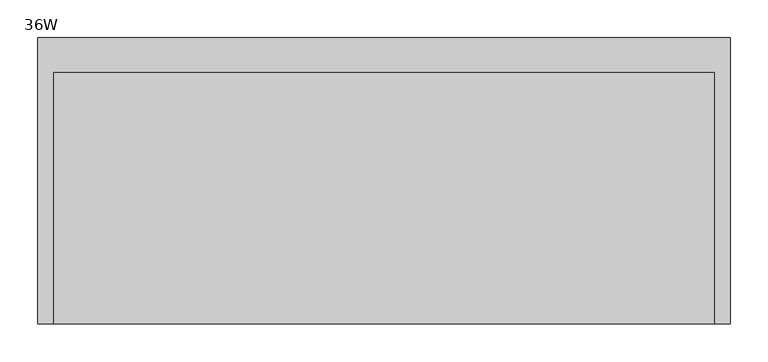
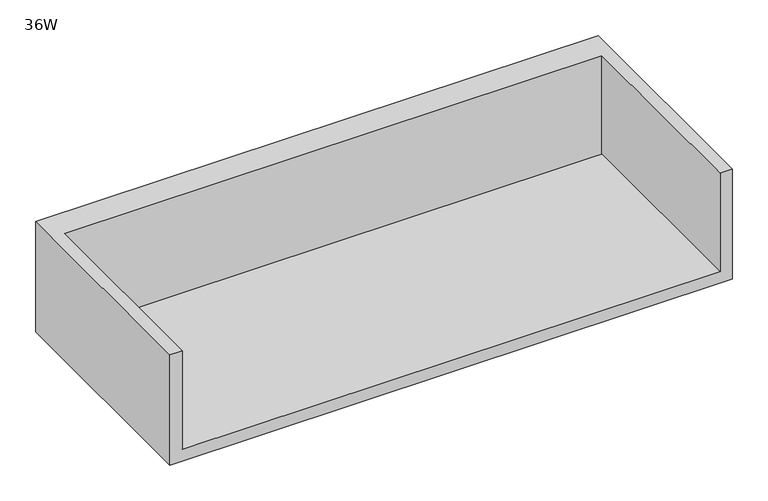
"""IFC4 building model written with IfcOpenShell, lengths in millimetres: furniture geometry, 36W."""

import ifcopenshell
import ifcopenshell.guid

model = None  # the IFC model being written
_history = None  # IfcOwnerHistory: only IFC2X3 demands one
_inside = {}  # id of a spatial element -> (the spatial element, [elements in it])
_under = {}  # id of a project, library or spatial element -> (it, [spatial elements below it])
_declared = {}  # id of a project -> (the project, [libraries it declares])
_typed = {}  # id of a type object -> (the type object, [elements of that type])
_made_of = {}  # id of a material, layer set ... -> (it, [elements and type objects made of it])


def new_model(schema):
    """Start an empty IFC model of exactly this schema.

    Asked for "IFC4X3", IfcOpenShell would pick the latest addendum, in which some entities
    have other attributes; the version numbers below select the first issue.
    IFC2X3 requires an IfcOwnerHistory on every rooted entity: one is made here for all.
    """
    global model, _history
    if schema == "IFC4X3":
        model = ifcopenshell.file(schema_version=(4, 3, 0, 0))
    else:
        model = ifcopenshell.file(schema=schema)
    _inside.clear()
    _under.clear()
    _declared.clear()
    _typed.clear()
    _made_of.clear()
    _history = None
    if model.schema == "IFC2X3":
        org = make("IfcOrganization", Name="unknown")
        user = make(
            "IfcPersonAndOrganization",
            ThePerson=make("IfcPerson", FamilyName="unknown"),
            TheOrganization=org,
        )
        app = make(
            "IfcApplication",
            ApplicationDeveloper=org,
            Version="unknown",
            ApplicationFullName="unknown",
            ApplicationIdentifier="unknown",
        )
        _history = make(
            "IfcOwnerHistory",
            OwningUser=user,
            OwningApplication=app,
            ChangeAction="ADDED",
            CreationDate=0,
        )
    return model


def make(cls, **values):
    """One entity of the class cls with the attributes given. An attribute that is None is left unset."""
    return model.create_entity(
        cls, **{name: value for name, value in values.items() if value is not None}
    )


def rooted(cls, **values):
    """An entity with a GlobalId (a new one), such as an element, a storey or a relation."""
    return make(cls, GlobalId=ifcopenshell.guid.new(), OwnerHistory=_history, **values)


def si_unit(unit_type, name, prefix=None):
    """IfcSIUnit, for example si_unit("LENGTHUNIT", "METRE", prefix="MILLI")."""
    return make("IfcSIUnit", UnitType=unit_type, Prefix=prefix, Name=name)


def assignment(units):
    """IfcUnitAssignment: the units of a project."""
    return None if units is None else make("IfcUnitAssignment", Units=units)


def point(xyz):
    """IfcCartesianPoint."""
    return None if xyz is None else make("IfcCartesianPoint", Coordinates=xyz)


def direction(xyz):
    """IfcDirection."""
    return None if xyz is None else make("IfcDirection", DirectionRatios=xyz)


def frame(location, z_axis=None, x_axis=None):
    """IfcAxis2Placement3D, a coordinate frame: its origin and axes. An axis left out is left unset."""
    return make(
        "IfcAxis2Placement3D",
        Location=point(location),
        Axis=direction(z_axis),
        RefDirection=direction(x_axis),
    )


def origin():
    """The frame at (0, 0, 0) with its axes left unset."""
    return frame((0.0, 0.0, 0.0))


def place(relative_to, where):
    """IfcLocalPlacement: puts the frame where relative to a parent placement (None: the world)."""
    return make(
        "IfcLocalPlacement", PlacementRelTo=relative_to, RelativePlacement=where
    )


def context(
    kind, dimensions, precision=None, world=None, true_north=None, identifier=None
):
    """IfcGeometricRepresentationContext, for example the 3D "Model" context."""
    return make(
        "IfcGeometricRepresentationContext",
        ContextIdentifier=identifier,
        ContextType=kind,
        CoordinateSpaceDimension=dimensions,
        Precision=precision,
        WorldCoordinateSystem=world,
        TrueNorth=true_north,
    )


def project(units=None, contexts=None):
    """IfcProject with its units and contexts."""
    return rooted(
        "IfcProject",
        Name="project",
        RepresentationContexts=contexts,
        UnitsInContext=assignment(units),
    )


def spatial(cls, under=None, at=None, **own):
    """A site, building, storey or space (cls), placed at a placement, below another one or the project."""
    s = rooted(cls, ObjectPlacement=at, **own)
    if under is not None:
        _under.setdefault(under.id(), (under, []))[1].append(s)
    return s


def faces_of(points, faces, orient=None, outer=None):
    """IfcFace entities. A face is a list of loops; a loop is a list of indices into points, from 0.

    orient and outer hold one flag for each loop. By default every Orientation is true, the
    first loop of a face is its IfcFaceOuterBound and the others are IfcFaceBound.
    """
    made = []
    for i, loops in enumerate(faces):
        bounds = []
        for j, loop in enumerate(loops):
            is_outer = j == 0 if outer is None else outer[i][j]
            bounds.append(
                make(
                    "IfcFaceOuterBound" if is_outer else "IfcFaceBound",
                    Bound=make("IfcPolyLoop", Polygon=[points[k] for k in loop]),
                    Orientation=True if orient is None else orient[i][j],
                )
            )
        made.append(make("IfcFace", Bounds=bounds))
    return made


def faceted_brep(points, faces, orient=None, outer=None, voids=None):
    """IfcFacetedBrep: a solid bounded by flat faces; with voids (closed shells), ...WithVoids."""
    shared = [point(p) for p in points]
    hull = make("IfcClosedShell", CfsFaces=faces_of(shared, faces, orient, outer))
    if voids is None:
        return make("IfcFacetedBrep", Outer=hull)
    return make(
        "IfcFacetedBrepWithVoids",
        Outer=hull,
        Voids=[
            make(cls, CfsFaces=faces_of(shared, fs, o, b)) for cls, fs, o, b in voids
        ],
    )


def shape(context_of_items, identifier, shape_type, items):
    """IfcShapeRepresentation: the items that make up one representation, for example the "Body"."""
    return make(
        "IfcShapeRepresentation",
        ContextOfItems=context_of_items,
        RepresentationIdentifier=identifier,
        RepresentationType=shape_type,
        Items=items,
    )


def source(mapping_origin, context_of_items, identifier, shape_type, items):
    """IfcRepresentationMap: a shape defined once, which mapped items show again and again."""
    return make(
        "IfcRepresentationMap",
        MappingOrigin=mapping_origin,
        MappedRepresentation=shape(context_of_items, identifier, shape_type, items),
    )


def transform(
    local_origin,
    x_axis=None,
    y_axis=None,
    z_axis=None,
    scale=None,
    scale2=None,
    scale3=None,
    uniform=True,
):
    """IfcCartesianTransformationOperator3D, or its non-uniform kind. x_axis, y_axis, z_axis: its Axis1, 2, 3."""
    if uniform:
        return make(
            "IfcCartesianTransformationOperator3D",
            Axis1=direction(x_axis),
            Axis2=direction(y_axis),
            LocalOrigin=point(local_origin),
            Scale=scale,
            Axis3=direction(z_axis),
        )
    return make(
        "IfcCartesianTransformationOperator3DnonUniform",
        Axis1=direction(x_axis),
        Axis2=direction(y_axis),
        LocalOrigin=point(local_origin),
        Scale=scale,
        Axis3=direction(z_axis),
        Scale2=scale2,
        Scale3=scale3,
    )


def mapped(mapping_source, mapping_target):
    """IfcMappedItem: shows the shape of a source again, moved by a transform."""
    return make(
        "IfcMappedItem", MappingSource=mapping_source, MappingTarget=mapping_target
    )


def made_of(thing, what):
    """Note that an element or type object is made of a material, layer set ...; save() writes the relation."""
    if what is not None:
        _made_of.setdefault(what.id(), (what, []))[1].append(thing)
    return thing


def element(
    cls,
    number,
    at=None,
    inside=None,
    cuts=None,
    type_object=None,
    material=None,
    context=None,
    identifier="Body",
    shape_type=None,
    held_by="IfcProductDefinitionShape",
    body=None,
    shapes=None,
    **own,
):
    """One element of the class cls, such as IfcWall. Its Tag is "e" and its number.

    at: its placement. inside: the storey or other place that contains it. cuts: it is an
    opening in that element (IfcRelVoidsElement). A single representation is given by context,
    identifier, shape_type and body (its items); several are given by shapes. held_by: the class
    of the entity that holds the representations. save() writes the other relations.
    """
    e = rooted(cls, Tag="e%d" % number, ObjectPlacement=at, **own)
    if body is not None:
        shapes = [shape(context, identifier, shape_type, body)]
    if shapes is not None:
        e.Representation = make(held_by, Representations=shapes)
    if inside is not None:
        _inside.setdefault(inside.id(), (inside, []))[1].append(e)
    if cuts is not None:
        rooted(
            "IfcRelVoidsElement", RelatingBuildingElement=cuts, RelatedOpeningElement=e
        )
    if type_object is not None:
        _typed.setdefault(type_object.id(), (type_object, []))[1].append(e)
    return made_of(e, material)


def aggregate(whole, parts):
    """IfcRelAggregates: a whole, such as a stair, and the parts it consists of."""
    return rooted("IfcRelAggregates", RelatingObject=whole, RelatedObjects=parts)


def save(model, path):
    """Write the relations noted so far, then the file.

    IfcRelAggregates (storeys below a building ...), IfcRelContainedInSpatialStructure (elements
    in a storey), IfcRelDefinesByType, IfcRelAssociatesMaterial and IfcRelDeclares: one each for
    every whole, place, type object, material and project.
    """
    for whole, parts in _under.values():
        aggregate(whole, parts)
    for where, things in _inside.values():
        rooted(
            "IfcRelContainedInSpatialStructure",
            RelatedElements=things,
            RelatingStructure=where,
        )
    for kind, things in _typed.values():
        rooted("IfcRelDefinesByType", RelatedObjects=things, RelatingType=kind)
    for what, things in _made_of.values():
        rooted("IfcRelAssociatesMaterial", RelatedObjects=things, RelatingMaterial=what)
    for by, libraries in _declared.values():
        rooted("IfcRelDeclares", RelatingContext=by, RelatedDefinitions=libraries)
    model.write(path)


def furniture_36w_3ea85a73(model_context):
    return source(origin(), model_context, "Body", "Brep", [
        faceted_brep([(20.1673737, -320.802, 1115.6696643), (893.2166263, -320.802, 1115.6696643), (893.2166263, 11.5824326, 1115.6696643), (20.1673737, 11.5824326, 1115.6696643), (0.0, -320.802, 1095.502), (0.0, 57.15, 1095.502), (913.384, 57.15, 1095.502), (913.384, -320.802, 1095.502), (913.384, 57.15, 1284.9860736), (0.0, 57.15, 1284.9860736), (20.1673737, -320.802, 1284.9860736), (0.0, -320.802, 1284.9860736), (913.384, -320.802, 1284.9860736), (893.2166263, -320.802, 1284.9860736), (20.1673737, 11.5824326, 1284.9860736), (893.2166263, 11.5824326, 1284.9860736)], [[[0, 1, 2, 3]], [[4, 5, 6, 7]], [[8, 6, 5, 9]], [[1, 0, 10, 11, 4, 7, 12, 13]], [[8, 9, 11, 10, 14, 15, 13, 12]], [[11, 9, 5, 4]], [[10, 0, 3, 14]], [[8, 12, 7, 6]], [[1, 13, 15, 2]], [[15, 14, 3, 2]]]),
    ])


if __name__ == "__main__":
    model = new_model("IFC4")
    model_context = context("Model", 3, world=origin())
    ifc_project = project(units=[si_unit("LENGTHUNIT", "METRE", prefix="MILLI")], contexts=[model_context])
    site = spatial("IfcSite", under=ifc_project)
    building = spatial("IfcBuilding", under=site)
    placement = place(None, origin())
    furniture_36w_shape = furniture_36w_3ea85a73(model_context)
    element("IfcFurniture", 1, ObjectType="36W", at=placement, inside=building, context=model_context, shape_type="MappedRepresentation", body=[
        mapped(furniture_36w_shape, transform((0.0, 0.0, 0.0), x_axis=(1.0, 0.0, 0.0), y_axis=(0.0, 1.0, 0.0), z_axis=(0.0, 0.0, 1.0))),
    ])
    save(model, "model.ifc")
